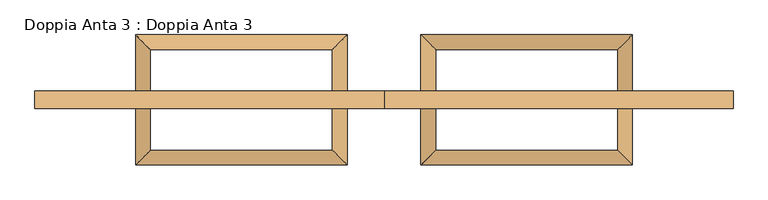
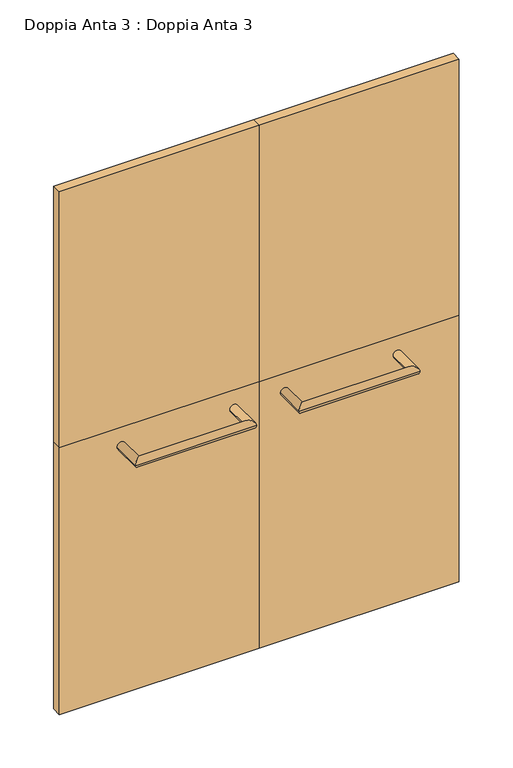
"""IFC4 building model written with IfcOpenShell, lengths in millimetres: door geometry, Doppia Anta 3 : Doppia Anta 3."""

from ifc_helpers import new_model, si_unit, frame, origin, origin_with_axes, place, context, project, spatial, polyline, circle_curve, ellipse_curve, outline, extrude, source, transform, mapped, element, save
from ifc_brep_helpers import plane_surface, cylinder_surface, advanced_brep


def doppia_anta_3_doppia_anta_3_5f8421f5(model_context):
    return source(origin(), model_context, "Body", "SolidModel", [
        extrude(outline(polyline([(0.0, -17.5), (-710.0, -17.5), (-710.0, 17.5), (0.0, 17.5), (0.0, -17.5)])), origin_with_axes(), (0.0, 0.0, 1.0), 1000.0),
        extrude(outline(polyline([(0.0, -17.5), (-710.0, -17.5), (-710.0, 17.5), (0.0, 17.5), (0.0, -17.5)])), frame((0.0, 0.0, 1000.0), z_axis=(0.0, 0.0, 1.0), x_axis=(1.0, 0.0, 0.0)), (0.0, 0.0, 1.0), 961.4),
        extrude(outline(polyline([(710.0, -17.5), (0.0, -17.5), (0.0, 17.5), (710.0, 17.5), (710.0, -17.5)])), frame((0.0, 0.0, 1000.0), z_axis=(0.0, 0.0, 1.0), x_axis=(1.0, 0.0, 0.0)), (0.0, 0.0, 1.0), 961.4),
        extrude(outline(polyline([(710.0, -17.5), (0.0, -17.5), (0.0, 17.5), (710.0, 17.5), (710.0, -17.5)])), origin_with_axes(), (0.0, 0.0, 1.0), 1000.0),
        advanced_brep(
        [(75.08, -17.5, 931.6623818), (105.08, -17.5, 931.6623818), (75.08, -132.5, 931.6623818), (105.08, -102.5, 931.6623818), (505.08, -132.5, 931.6623818), (475.08, -102.5, 931.6623818), (505.08, -17.5, 931.6623818), (475.08, -17.5, 931.6623818)],
        [
            (0, 1, circle_curve(frame((90.08, -17.5, 931.6623818), z_axis=(0.0, 1.0, 0.0), x_axis=(1.0, 0.0, 0.0)), 15.0)),
            (1, 0, circle_curve(frame((90.08, -17.5, 931.6623818), z_axis=(0.0, 1.0, 0.0), x_axis=(1.0, 0.0, 0.0)), 15.0)),
            (0, 2),
            (2, 3, ellipse_curve(frame((90.08, -117.5, 931.6623818), z_axis=(-0.7071067811865475, 0.7071067811865475, 0.0), x_axis=(0.7071067811865474, 0.7071067811865476, 0.0)), 21.2132034, 15.0)),
            (3, 1),
            (3, 2, ellipse_curve(frame((90.08, -117.5, 931.6623818), z_axis=(-0.7071067811865475, 0.7071067811865475, 0.0), x_axis=(0.7071067811865474, 0.7071067811865476, 0.0)), 21.2132034, 15.0)),
            (2, 4),
            (4, 5, ellipse_curve(frame((490.08, -117.5, 931.6623818), z_axis=(-0.7071067811865475, -0.7071067811865475, 0.0), x_axis=(-0.7071067811865476, 0.7071067811865474, 0.0)), 21.2132034, 15.0)),
            (5, 3),
            (5, 4, ellipse_curve(frame((490.08, -117.5, 931.6623818), z_axis=(-0.7071067811865475, -0.7071067811865475, 0.0), x_axis=(-0.7071067811865476, 0.7071067811865474, 0.0)), 21.2132034, 15.0)),
            (6, 7, circle_curve(frame((490.08, -17.5, 931.6623818), z_axis=(0.0, 1.0, 0.0), x_axis=(-1.0, 0.0, 0.0)), 15.0)),
            (7, 6, circle_curve(frame((490.08, -17.5, 931.6623818), z_axis=(0.0, 1.0, 0.0), x_axis=(-1.0, 0.0, 0.0)), 15.0)),
            (4, 6),
            (7, 5),
        ],
        [
            plane_surface(frame((90.08, -17.5, 931.6623818), z_axis=(0.0, 1.0, 0.0), x_axis=(0.0, 0.0, 1.0))),
            cylinder_surface(frame((90.08, -17.5, 931.6623818), z_axis=(0.0, 1.0, 0.0), x_axis=(1.0, 0.0, 0.0)), 15.0),
            cylinder_surface(frame((90.08, -117.5, 931.6623818), z_axis=(-1.0, 0.0, 0.0), x_axis=(0.0, 1.0, 0.0)), 15.0),
            plane_surface(frame((490.08, -17.5, 931.6623818), z_axis=(0.0, 1.0, 0.0), x_axis=(0.0, 0.0, 1.0))),
            cylinder_surface(frame((490.08, -117.5, 931.6623818), z_axis=(0.0, -1.0, 0.0), x_axis=(-1.0, 0.0, 0.0)), 15.0),
        ],
        [
            (0, [[1, 2]]),
            (1, [[-1, 3, 4, 5]]),
            (1, [[-2, -5, 6, -3]]),
            (2, [[-4, 7, 8, 9]]),
            (2, [[-6, -9, 10, -7]]),
            (3, [[11, 12]]),
            (4, [[-8, 13, -12, 14]]),
            (4, [[-10, -14, -11, -13]]),
        ],
    ),
        advanced_brep(
        [(-505.0798099, -17.5, 931.6623818), (-475.0798099, -17.5, 931.6623818), (-505.0798099, -132.5, 931.6623818), (-475.0798099, -102.5, 931.6623818), (-75.0798099, -132.5, 931.6623818), (-105.0798099, -102.5, 931.6623818), (-75.0798099, -17.5, 931.6623818), (-105.0798099, -17.5, 931.6623818)],
        [
            (0, 1, circle_curve(frame((-490.0798099, -17.5, 931.6623818), z_axis=(0.0, 1.0, 0.0), x_axis=(1.0, 0.0, 0.0)), 15.0)),
            (1, 0, circle_curve(frame((-490.0798099, -17.5, 931.6623818), z_axis=(0.0, 1.0, 0.0), x_axis=(1.0, 0.0, 0.0)), 15.0)),
            (0, 2),
            (2, 3, ellipse_curve(frame((-490.0798099, -117.5, 931.6623818), z_axis=(-0.7071067811865475, 0.7071067811865475, 0.0), x_axis=(0.7071067811865474, 0.7071067811865476, 0.0)), 21.2132034, 15.0)),
            (3, 1),
            (3, 2, ellipse_curve(frame((-490.0798099, -117.5, 931.6623818), z_axis=(-0.7071067811865475, 0.7071067811865475, 0.0), x_axis=(0.7071067811865474, 0.7071067811865476, 0.0)), 21.2132034, 15.0)),
            (2, 4),
            (4, 5, ellipse_curve(frame((-90.0798099, -117.5, 931.6623818), z_axis=(-0.7071067811865475, -0.7071067811865475, 0.0), x_axis=(-0.7071067811865476, 0.7071067811865474, 0.0)), 21.2132034, 15.0)),
            (5, 3),
            (5, 4, ellipse_curve(frame((-90.0798099, -117.5, 931.6623818), z_axis=(-0.7071067811865475, -0.7071067811865475, 0.0), x_axis=(-0.7071067811865476, 0.7071067811865474, 0.0)), 21.2132034, 15.0)),
            (6, 7, circle_curve(frame((-90.0798099, -17.5, 931.6623818), z_axis=(0.0, 1.0, 0.0), x_axis=(-1.0, 0.0, 0.0)), 15.0)),
            (7, 6, circle_curve(frame((-90.0798099, -17.5, 931.6623818), z_axis=(0.0, 1.0, 0.0), x_axis=(-1.0, 0.0, 0.0)), 15.0)),
            (4, 6),
            (7, 5),
        ],
        [
            plane_surface(frame((-490.0798099, -17.5, 931.6623818), z_axis=(0.0, 1.0, 0.0), x_axis=(0.0, 0.0, 1.0))),
            cylinder_surface(frame((-490.0798099, -17.5, 931.6623818), z_axis=(0.0, 1.0, 0.0), x_axis=(1.0, 0.0, 0.0)), 15.0),
            cylinder_surface(frame((-490.0798099, -117.5, 931.6623818), z_axis=(-1.0, 0.0, 0.0), x_axis=(0.0, 1.0, 0.0)), 15.0),
            plane_surface(frame((-90.0798099, -17.5, 931.6623818), z_axis=(0.0, 1.0, 0.0), x_axis=(0.0, 0.0, 1.0))),
            cylinder_surface(frame((-90.0798099, -117.5, 931.6623818), z_axis=(0.0, -1.0, 0.0), x_axis=(-1.0, 0.0, 0.0)), 15.0),
        ],
        [
            (0, [[1, 2]]),
            (1, [[-1, 3, 4, 5]]),
            (1, [[-2, -5, 6, -3]]),
            (2, [[-4, 7, 8, 9]]),
            (2, [[-6, -9, 10, -7]]),
            (3, [[11, 12]]),
            (4, [[-8, 13, -12, 14]]),
            (4, [[-10, -14, -11, -13]]),
        ],
    ),
        advanced_brep(
        [(105.08, 17.5, 931.6623818), (75.08, 17.5, 931.6623818), (105.08, 102.5, 931.6623818), (75.08, 132.5, 931.6623818), (475.08, 102.5, 931.6623818), (505.08, 132.5, 931.6623818), (475.08, 17.5, 931.6623818), (505.08, 17.5, 931.6623818)],
        [
            (0, 1, circle_curve(frame((90.08, 17.5, 931.6623818), z_axis=(0.0, -1.0, 0.0), x_axis=(-1.0, 0.0, 0.0)), 15.0)),
            (1, 0, circle_curve(frame((90.08, 17.5, 931.6623818), z_axis=(0.0, -1.0, 0.0), x_axis=(-1.0, 0.0, 0.0)), 15.0)),
            (0, 2),
            (2, 3, ellipse_curve(frame((90.08, 117.5, 931.6623818), z_axis=(-0.7071067811865475, -0.7071067811865475, 0.0), x_axis=(0.7071067811865474, -0.7071067811865476, 0.0)), 21.2132034, 15.0)),
            (3, 1),
            (3, 2, ellipse_curve(frame((90.08, 117.5, 931.6623818), z_axis=(-0.7071067811865475, -0.7071067811865475, 0.0), x_axis=(0.7071067811865474, -0.7071067811865476, 0.0)), 21.2132034, 15.0)),
            (2, 4),
            (4, 5, ellipse_curve(frame((490.08, 117.5, 931.6623818), z_axis=(-0.7071067811865475, 0.7071067811865475, 0.0), x_axis=(-0.7071067811865476, -0.7071067811865474, 0.0)), 21.2132034, 15.0)),
            (5, 3),
            (5, 4, ellipse_curve(frame((490.08, 117.5, 931.6623818), z_axis=(-0.7071067811865475, 0.7071067811865475, 0.0), x_axis=(-0.7071067811865476, -0.7071067811865474, 0.0)), 21.2132034, 15.0)),
            (6, 7, circle_curve(frame((490.08, 17.5, 931.6623818), z_axis=(0.0, -1.0, 0.0), x_axis=(1.0, 0.0, 0.0)), 15.0)),
            (7, 6, circle_curve(frame((490.08, 17.5, 931.6623818), z_axis=(0.0, -1.0, 0.0), x_axis=(1.0, 0.0, 0.0)), 15.0)),
            (4, 6),
            (7, 5),
        ],
        [
            plane_surface(frame((90.08, 17.5, 931.6623818), z_axis=(0.0, -1.0, 0.0), x_axis=(0.0, 0.0, 1.0))),
            cylinder_surface(frame((90.08, 17.5, 931.6623818), z_axis=(0.0, -1.0, 0.0), x_axis=(-1.0, 0.0, 0.0)), 15.0),
            cylinder_surface(frame((90.08, 117.5, 931.6623818), z_axis=(-1.0, 0.0, 0.0), x_axis=(0.0, 1.0, 0.0)), 15.0),
            plane_surface(frame((490.08, 17.5, 931.6623818), z_axis=(0.0, -1.0, 0.0), x_axis=(0.0, 0.0, 1.0))),
            cylinder_surface(frame((490.08, 117.5, 931.6623818), z_axis=(0.0, 1.0, 0.0), x_axis=(1.0, 0.0, 0.0)), 15.0),
        ],
        [
            (0, [[1, 2]]),
            (1, [[-1, 3, 4, 5]]),
            (1, [[-2, -5, 6, -3]]),
            (2, [[-4, 7, 8, 9]]),
            (2, [[-6, -9, 10, -7]]),
            (3, [[11, 12]]),
            (4, [[-8, 13, -12, 14]]),
            (4, [[-10, -14, -11, -13]]),
        ],
    ),
        advanced_brep(
        [(-75.0798099, 17.5, 931.6623818), (-105.0798099, 17.5, 931.6623818), (-75.0798099, 132.5, 931.6623818), (-105.0798099, 102.5, 931.6623818), (-505.0798099, 132.5, 931.6623818), (-475.0798099, 102.5, 931.6623818), (-505.0798099, 17.5, 931.6623818), (-475.0798099, 17.5, 931.6623818)],
        [
            (0, 1, circle_curve(frame((-90.0798099, 17.5, 931.6623818), z_axis=(0.0, -1.0, 0.0), x_axis=(-1.0, 0.0, 0.0)), 15.0)),
            (1, 0, circle_curve(frame((-90.0798099, 17.5, 931.6623818), z_axis=(0.0, -1.0, 0.0), x_axis=(-1.0, 0.0, 0.0)), 15.0)),
            (0, 2),
            (2, 3, ellipse_curve(frame((-90.0798099, 117.5, 931.6623818), z_axis=(0.7071067811865475, -0.7071067811865475, 0.0), x_axis=(-0.7071067811865474, -0.7071067811865476, 0.0)), 21.2132034, 15.0)),
            (3, 1),
            (3, 2, ellipse_curve(frame((-90.0798099, 117.5, 931.6623818), z_axis=(0.7071067811865475, -0.7071067811865475, 0.0), x_axis=(-0.7071067811865474, -0.7071067811865476, 0.0)), 21.2132034, 15.0)),
            (2, 4),
            (4, 5, ellipse_curve(frame((-490.0798099, 117.5, 931.6623818), z_axis=(0.7071067811865475, 0.7071067811865475, 0.0), x_axis=(0.7071067811865476, -0.7071067811865474, 0.0)), 21.2132034, 15.0)),
            (5, 3),
            (5, 4, ellipse_curve(frame((-490.0798099, 117.5, 931.6623818), z_axis=(0.7071067811865475, 0.7071067811865475, 0.0), x_axis=(0.7071067811865476, -0.7071067811865474, 0.0)), 21.2132034, 15.0)),
            (6, 7, circle_curve(frame((-490.0798099, 17.5, 931.6623818), z_axis=(0.0, -1.0, 0.0), x_axis=(1.0, 0.0, 0.0)), 15.0)),
            (7, 6, circle_curve(frame((-490.0798099, 17.5, 931.6623818), z_axis=(0.0, -1.0, 0.0), x_axis=(1.0, 0.0, 0.0)), 15.0)),
            (4, 6),
            (7, 5),
        ],
        [
            plane_surface(frame((-90.0798099, 17.5, 931.6623818), z_axis=(0.0, -1.0, 0.0), x_axis=(0.0, 0.0, 1.0))),
            cylinder_surface(frame((-90.0798099, 17.5, 931.6623818), z_axis=(0.0, -1.0, 0.0), x_axis=(-1.0, 0.0, 0.0)), 15.0),
            cylinder_surface(frame((-90.0798099, 117.5, 931.6623818), z_axis=(1.0, 0.0, 0.0), x_axis=(0.0, -1.0, 0.0)), 15.0),
            plane_surface(frame((-490.0798099, 17.5, 931.6623818), z_axis=(0.0, -1.0, 0.0), x_axis=(0.0, 0.0, 1.0))),
            cylinder_surface(frame((-490.0798099, 117.5, 931.6623818), z_axis=(0.0, 1.0, 0.0), x_axis=(1.0, 0.0, 0.0)), 15.0),
        ],
        [
            (0, [[1, 2]]),
            (1, [[-1, 3, 4, 5]]),
            (1, [[-2, -5, 6, -3]]),
            (2, [[-4, 7, 8, 9]]),
            (2, [[-6, -9, 10, -7]]),
            (3, [[11, 12]]),
            (4, [[-8, 13, -12, 14]]),
            (4, [[-10, -14, -11, -13]]),
        ],
    ),
    ])


if __name__ == "__main__":
    model = new_model("IFC4")
    model_context = context("Model", 3, world=origin())
    ifc_project = project(units=[si_unit("LENGTHUNIT", "METRE", prefix="MILLI")], contexts=[model_context])
    site = spatial("IfcSite", under=ifc_project)
    building = spatial("IfcBuilding", under=site)
    placement = place(None, origin())
    doppia_anta_3_doppia_anta_3_shape = doppia_anta_3_doppia_anta_3_5f8421f5(model_context)
    element("IfcDoor", 1, ObjectType="Doppia Anta 3 : Doppia Anta 3", at=placement, inside=building, context=model_context, shape_type="MappedRepresentation", body=[
        mapped(doppia_anta_3_doppia_anta_3_shape, transform((0.0, 0.0, 0.0), x_axis=(1.0, 0.0, 0.0), y_axis=(0.0, 1.0, 0.0), z_axis=(0.0, 0.0, 1.0))),
    ])
    save(model, "model.ifc")
